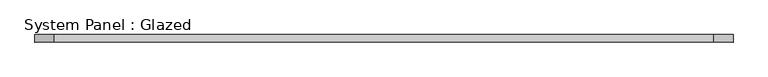
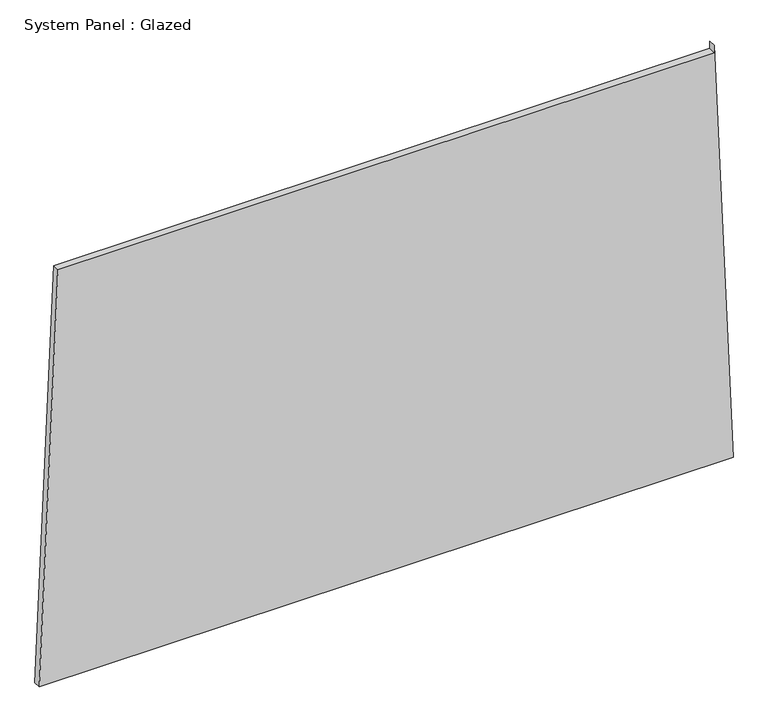
"""IFC4 building model written with IfcOpenShell, lengths in millimetres: plate geometry, System Panel : Glazed."""

from ifc_helpers import new_model, si_unit, frame, origin, place, context, project, spatial, polyline, outline, extrude, source, transform, mapped, element, save


def system_panel_glazed_39d768d7(model_context):
    return source(origin(), model_context, "Body", "SweptSolid", [
        extrude(outline(polyline([(0.0, -1157.2143811), (0.0, 1157.2143811), (1473.618281, 1093.9290175), (1448.618281, 1093.929017), (1448.6183213, -1095.0029141), (0.0, -1157.2143811)])), frame((0.0, -49.5, 0.0), z_axis=(0.0, 1.0, 0.0), x_axis=(0.0, 0.0, 1.0)), (0.0, 0.0, 1.0), 25.0),
    ])


if __name__ == "__main__":
    model = new_model("IFC4")
    model_context = context("Model", 3, world=origin())
    ifc_project = project(units=[si_unit("LENGTHUNIT", "METRE", prefix="MILLI")], contexts=[model_context])
    site = spatial("IfcSite", under=ifc_project)
    building = spatial("IfcBuilding", under=site)
    placement = place(None, origin())
    system_panel_glazed_shape = system_panel_glazed_39d768d7(model_context)
    element("IfcPlate", 1, ObjectType="System Panel : Glazed", at=placement, inside=building, context=model_context, shape_type="MappedRepresentation", body=[
        mapped(system_panel_glazed_shape, transform((0.0, 0.0, 0.0), x_axis=(1.0, 0.0, 0.0), y_axis=(0.0, 1.0, 0.0), z_axis=(0.0, 0.0, 1.0))),
    ])
    save(model, "model.ifc")
